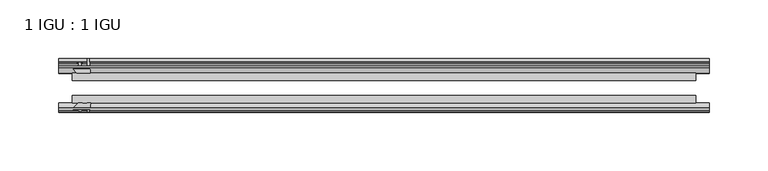
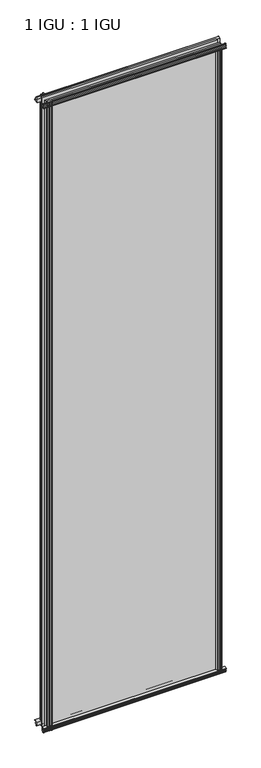
"""IFC4 building model written with IfcOpenShell, lengths in millimetres: plate geometry, 1 IGU : 1 IGU."""

from ifc_helpers import new_model, si_unit, point, frame, frame_2d, origin, origin_with_axes, place, context, project, spatial, polyline, circle_curve, trimmed, segment, composite_curve, outline, extrude, source, transform, mapped, element, save


def plate_1_igu_1_igu_57db94f7(model_context):
    return source(origin(), model_context, "Body", "SweptSolid", [
        extrude(outline(polyline([(-24.9039062, 2.5763839), (-12.2039062, 1.5739665), (-12.2039062, 0.0), (-18.5539062, 0.0), (-18.5539062, -4.953), (-16.254502, -5.5691235), (-16.6301757, -4.1670901), (-15.7714677, -3.937), (-15.1249062, -6.35), (-15.7714677, -8.763), (-16.6301757, -8.5329099), (-16.254502, -7.1308765), (-18.5539062, -7.747), (-18.5539062, -12.7), (-20.5859062, -12.7), (-24.9039062, -9.1036931), (-24.9039062, 2.5763839)])), frame((-277.7674496, 0.0, 0.0), z_axis=(1.0, 0.0, 0.0), x_axis=(0.0, 1.0, 0.0)), (0.0, 0.0, 1.0), 555.5348992),
        extrude(outline(composite_curve([segment(polyline([(-58.2287402, 1.5687054), (-50.3039062, 3.0983599), (-50.3039062, -7.92383), (-54.4858806, -12.1058044)]), True, "CONTINUOUS"), segment(trimmed(circle_curve(frame_2d((-55.3839062, -11.2077788)), 1.27), [point((-54.4858806, -12.1058044))], [point((-56.6539062, -11.2077788))], False, "CARTESIAN"), True, "CONTINUOUS"), segment(polyline([(-56.6539062, -11.2077788), (-56.6539062, -8.0327788), (-58.1332022, -5.4488186), (-56.6539062, -5.1879788), (-56.6539062, 0.2222212), (-58.2287402, 0.0), (-58.2287402, 1.5687054)]), True, "CONTINUOUS")], self_intersect=False)), frame((-277.7674496, 0.0, 0.0), z_axis=(1.0, 0.0, 0.0), x_axis=(0.0, 1.0, 0.0)), (0.0, 0.0, 1.0), 555.5348992),
        extrude(outline(polyline([(-18.5539063, 2001.656525), (-16.254502, 2001.0404015), (-16.6301757, 2002.4424349), (-15.7714677, 2002.672525), (-15.1249063, 2000.259525), (-15.7714677, 1997.846525), (-16.6301757, 1998.0766151), (-16.254502, 1999.4786485), (-18.5539063, 1998.862525), (-18.5539063, 1993.909525), (-12.2039062, 1993.909525), (-12.2039062, 1992.3355585), (-24.9039063, 1991.3331411), (-24.9039063, 2003.0132181), (-20.5859063, 2006.609525), (-18.5539063, 2006.609525), (-18.5539063, 2001.656525)])), frame((-277.7674496, 0.0, 0.0), z_axis=(1.0, 0.0, 0.0), x_axis=(0.0, 1.0, 0.0)), (0.0, 0.0, 1.0), 555.5348992),
        extrude(outline(composite_curve([segment(polyline([(-50.3039063, 2001.833355), (-50.3039063, 1990.8111651), (-58.2287402, 1992.3408196), (-58.2287402, 1993.909525), (-56.6539063, 1993.6873038), (-56.6539063, 1999.0975038), (-58.1332023, 1999.3583436), (-56.6539063, 2001.9423038), (-56.6539063, 2005.1173038)]), True, "CONTINUOUS"), segment(trimmed(circle_curve(frame_2d((-55.3839063, 2005.1173038)), 1.27), [point((-56.6539063, 2005.1173038))], [point((-54.4858806, 2006.0153294))], False, "CARTESIAN"), True, "CONTINUOUS"), segment(polyline([(-54.4858806, 2006.0153294), (-50.3039063, 2001.833355)]), True, "CONTINUOUS")], self_intersect=False)), frame((-277.7674496, 0.0, 0.0), z_axis=(1.0, 0.0, 0.0), x_axis=(0.0, 1.0, 0.0)), (0.0, 0.0, 1.0), 555.5348992),
        extrude(outline(composite_curve([segment(polyline([(251.4746056, -57.3876965), (250.1072897, -50.3039063), (261.1294796, -50.3039063), (265.311454, -54.4858806)]), True, "CONTINUOUS"), segment(trimmed(circle_curve(frame_2d((264.4134284, -55.3839062)), 1.27), [point((265.311454, -54.4858806))], [point((264.4134284, -56.6539062))], False, "CARTESIAN"), True, "CONTINUOUS"), segment(polyline([(264.4134284, -56.6539062), (261.2384284, -56.6539063), (258.6544682, -58.1332023), (258.3936284, -56.6539063), (252.9834284, -56.6539063), (253.2056496, -58.2287402), (252.2413288, -58.2014026)]), True, "CONTINUOUS"), segment(trimmed(circle_curve(frame_2d((252.4754284, -57.2127402)), 1.016), [point((252.2413288, -58.2014026))], [point((251.4746056, -57.3876965))], False, "CARTESIAN"), True, "CONTINUOUS")], self_intersect=False)), origin_with_axes(), (0.0, 0.0, 1.0), 1994.3064),
        extrude(outline(polyline([(258.1586496, -18.5539062), (258.7747731, -16.254502), (257.3727397, -16.6301757), (257.1426496, -15.7714677), (259.5556496, -15.1249062), (261.9686496, -15.7714677), (261.7385595, -16.6301757), (260.3365261, -16.254502), (260.9526496, -18.5539062), (265.9056496, -18.5539062), (265.9056496, -20.5859063), (262.3093427, -24.9039063), (250.6292657, -24.9039063), (251.631683, -12.2039062), (253.2056496, -12.2039062), (253.2056496, -18.5539062), (258.1586496, -18.5539062)])), origin_with_axes(), (0.0, 0.0, 1.0), 1994.3064),
        extrude(outline(composite_curve([segment(polyline([(-261.2384284, -56.6539062), (-264.4134284, -56.6539062)]), True, "CONTINUOUS"), segment(trimmed(circle_curve(frame_2d((-264.4134284, -55.3839062)), 1.27), [point((-264.4134284, -56.6539062))], [point((-265.311454, -54.4858806))], False, "CARTESIAN"), True, "CONTINUOUS"), segment(polyline([(-265.311454, -54.4858806), (-261.1294796, -50.3039062), (-257.4599341, -50.3039062)]), True, "CONTINUOUS"), segment(trimmed(circle_curve(frame_2d((-255.3964284, -46.3669062)), 4.445), [point((-257.4599341, -50.3039062))], [point((-253.3329226, -50.3039062))], True, "CARTESIAN"), True, "CONTINUOUS"), segment(polyline([(-253.3329226, -50.3039062), (-250.1072897, -50.3039062), (-251.6369442, -58.2287402), (-253.2056496, -58.2287402), (-252.9834284, -56.6539062), (-258.3936284, -56.6539062), (-258.6544682, -58.1332022), (-261.2384284, -56.6539062)]), True, "CONTINUOUS")], self_intersect=False)), frame((0.0, 0.0, -12.7), z_axis=(0.0, 0.0, 1.0), x_axis=(1.0, 0.0, 0.0)), (0.0, 0.0, 1.0), 2019.309525),
        extrude(outline(polyline([(-250.6292657, -24.9039062), (-262.3093427, -24.9039062), (-265.9056496, -20.5859062), (-265.9056496, -18.5539062), (-260.9526496, -18.5539062), (-260.3365261, -16.254502), (-261.7385595, -16.6301757), (-261.9686496, -15.7714677), (-259.5556496, -15.1249062), (-257.1426496, -15.7714677), (-257.3727397, -16.6301757), (-258.7747731, -16.254502), (-258.1586496, -18.5539062), (-253.2056496, -18.5539062), (-253.2056496, -12.2039062), (-251.631683, -12.2039062), (-250.6292657, -24.9039062)])), frame((0.0, 0.0, -12.7), z_axis=(0.0, 0.0, 1.0), x_axis=(1.0, 0.0, 0.0)), (0.0, 0.0, 1.0), 2019.309525),
        extrude(outline(polyline([(265.9056496, -24.9039062), (265.9056496, -31.2031063), (-265.9056496, -31.2031063), (-265.9056496, -24.9039062), (265.9056496, -24.9039062)])), frame((0.0, 0.0, -12.7), z_axis=(0.0, 0.0, 1.0), x_axis=(1.0, 0.0, 0.0)), (0.0, 0.0, 1.0), 2019.309525),
        extrude(outline(polyline([(-265.9056496, -44.0047063), (265.9056496, -44.0047063), (265.9056496, -50.3039062), (-265.9056496, -50.3039062), (-265.9056496, -44.0047063)])), frame((0.0, 0.0, -12.7), z_axis=(0.0, 0.0, 1.0), x_axis=(1.0, 0.0, 0.0)), (0.0, 0.0, 1.0), 2019.309525),
    ])


if __name__ == "__main__":
    model = new_model("IFC4")
    model_context = context("Model", 3, world=origin())
    ifc_project = project(units=[si_unit("LENGTHUNIT", "METRE", prefix="MILLI")], contexts=[model_context])
    site = spatial("IfcSite", under=ifc_project)
    building = spatial("IfcBuilding", under=site)
    placement = place(None, origin())
    plate_1_igu_1_igu_shape = plate_1_igu_1_igu_57db94f7(model_context)
    element("IfcPlate", 1, ObjectType="1 IGU : 1 IGU", at=placement, inside=building, context=model_context, shape_type="MappedRepresentation", body=[
        mapped(plate_1_igu_1_igu_shape, transform((0.0, 0.0, 0.0), x_axis=(1.0, 0.0, 0.0), y_axis=(0.0, 1.0, 0.0), z_axis=(0.0, 0.0, 1.0))),
    ])
    save(model, "model.ifc")
